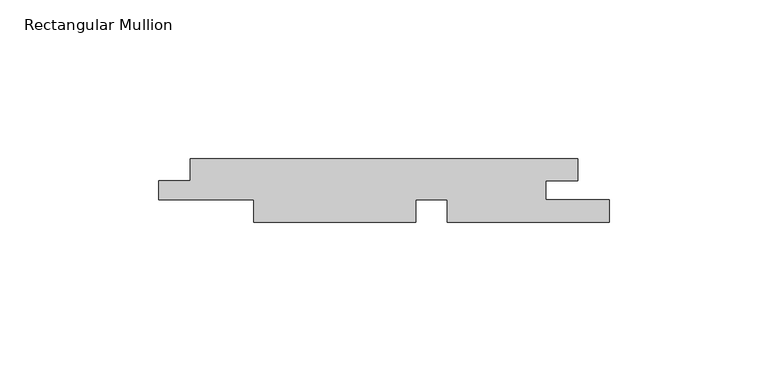
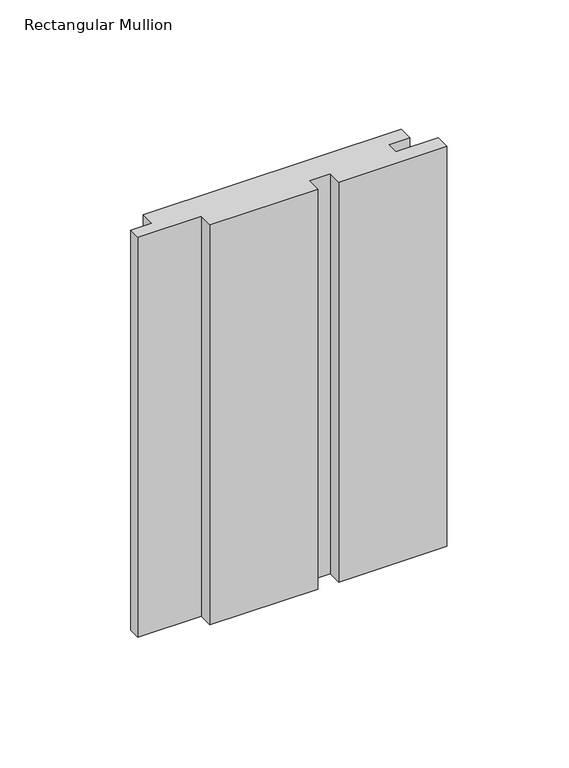
"""IFC4 building model written with IfcOpenShell, lengths in millimetres: member geometry, Rectangular Mullion."""

from ifc_helpers import new_model, si_unit, frame, origin, place, context, project, spatial, polyline, outline, extrude, source, transform, mapped, element, save


def rectangular_mullion_a5c706e2(model_context):
    return source(origin(), model_context, "Body", "SweptSolid", [
        extrude(outline(polyline([(-142.0, -7.0), (-132.0288065, -7.0), (-132.0288065, 0.0), (-10.0, 0.0), (-10.0, -7.0), (-20.0, -7.0), (-20.0, -13.0), (0.0, -13.0), (0.0, -20.0), (-51.0288065, -20.0), (-51.0288065, -13.0), (-61.0288065, -13.0), (-61.0288065, -20.0), (-112.0288065, -20.0), (-112.0288065, -13.0), (-142.0, -13.0), (-142.0, -7.0)])), frame((0.0, 0.0, -200.0), z_axis=(0.0, 0.0, 1.0), x_axis=(1.0, 0.0, 0.0)), (0.0, 0.0, 1.0), 200.0),
    ])


if __name__ == "__main__":
    model = new_model("IFC4")
    model_context = context("Model", 3, world=origin())
    ifc_project = project(units=[si_unit("LENGTHUNIT", "METRE", prefix="MILLI")], contexts=[model_context])
    site = spatial("IfcSite", under=ifc_project)
    building = spatial("IfcBuilding", under=site)
    placement = place(None, origin())
    rectangular_mullion_shape = rectangular_mullion_a5c706e2(model_context)
    element("IfcMember", 1, ObjectType="Rectangular Mullion", at=placement, inside=building, context=model_context, shape_type="MappedRepresentation", body=[
        mapped(rectangular_mullion_shape, transform((0.0, 0.0, 0.0), x_axis=(1.0, 0.0, 0.0), y_axis=(0.0, 1.0, 0.0), z_axis=(0.0, 0.0, 1.0))),
    ])
    save(model, "model.ifc")
